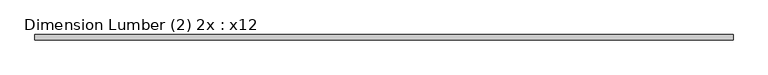
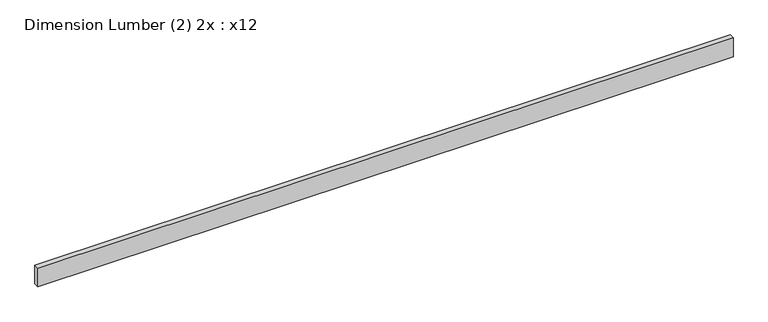
"""IFC4 building model written with IfcOpenShell, lengths in millimetres: beam geometry, Dimension Lumber (2) 2x : x12."""

from ifc_helpers import new_model, si_unit, frame, origin, place, context, project, spatial, polyline, outline, extrude, source, transform, mapped, element, save


def dimension_lumber_2_2x_x12_b99b11fb(model_context):
    return source(origin(), model_context, "Body", "SweptSolid", [
        extrude(outline(polyline([(5016.4021559, 38.1), (5016.4021559, -38.1), (-4978.3021559, -38.1), (-4978.3021559, 38.1), (5016.4021559, 38.1)])), frame((0.0, 0.0, -142.875), z_axis=(0.0, 0.0, 1.0), x_axis=(1.0, 0.0, 0.0)), (0.0, 0.0, 1.0), 285.75),
    ])


if __name__ == "__main__":
    model = new_model("IFC4")
    model_context = context("Model", 3, world=origin())
    ifc_project = project(units=[si_unit("LENGTHUNIT", "METRE", prefix="MILLI")], contexts=[model_context])
    site = spatial("IfcSite", under=ifc_project)
    building = spatial("IfcBuilding", under=site)
    placement = place(None, origin())
    dimension_lumber_2_2x_x12_shape = dimension_lumber_2_2x_x12_b99b11fb(model_context)
    element("IfcBeam", 1, ObjectType="Dimension Lumber (2) 2x : x12", at=placement, inside=building, context=model_context, shape_type="MappedRepresentation", body=[
        mapped(dimension_lumber_2_2x_x12_shape, transform((0.0, 0.0, 0.0), x_axis=(1.0, 0.0, 0.0), y_axis=(0.0, 1.0, 0.0), z_axis=(0.0, 0.0, 1.0))),
    ])
    save(model, "model.ifc")
